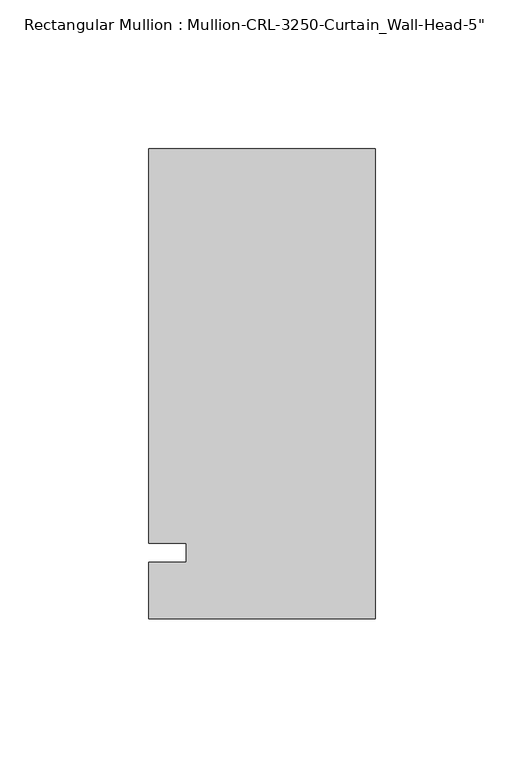
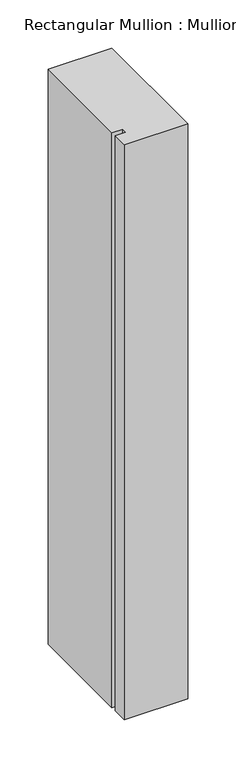
"""IFC4 building model written with IfcOpenShell, lengths in millimetres: member geometry."""

import ifcopenshell
import ifcopenshell.guid

model = None  # the IFC model being written
_history = None  # IfcOwnerHistory: only IFC2X3 demands one
_inside = {}  # id of a spatial element -> (the spatial element, [elements in it])
_under = {}  # id of a project, library or spatial element -> (it, [spatial elements below it])
_declared = {}  # id of a project -> (the project, [libraries it declares])
_typed = {}  # id of a type object -> (the type object, [elements of that type])
_made_of = {}  # id of a material, layer set ... -> (it, [elements and type objects made of it])


def new_model(schema):
    """Start an empty IFC model of exactly this schema.

    Asked for "IFC4X3", IfcOpenShell would pick the latest addendum, in which some entities
    have other attributes; the version numbers below select the first issue.
    IFC2X3 requires an IfcOwnerHistory on every rooted entity: one is made here for all.
    """
    global model, _history
    if schema == "IFC4X3":
        model = ifcopenshell.file(schema_version=(4, 3, 0, 0))
    else:
        model = ifcopenshell.file(schema=schema)
    _inside.clear()
    _under.clear()
    _declared.clear()
    _typed.clear()
    _made_of.clear()
    _history = None
    if model.schema == "IFC2X3":
        org = make("IfcOrganization", Name="unknown")
        user = make(
            "IfcPersonAndOrganization",
            ThePerson=make("IfcPerson", FamilyName="unknown"),
            TheOrganization=org,
        )
        app = make(
            "IfcApplication",
            ApplicationDeveloper=org,
            Version="unknown",
            ApplicationFullName="unknown",
            ApplicationIdentifier="unknown",
        )
        _history = make(
            "IfcOwnerHistory",
            OwningUser=user,
            OwningApplication=app,
            ChangeAction="ADDED",
            CreationDate=0,
        )
    return model


def make(cls, **values):
    """One entity of the class cls with the attributes given. An attribute that is None is left unset."""
    return model.create_entity(
        cls, **{name: value for name, value in values.items() if value is not None}
    )


def rooted(cls, **values):
    """An entity with a GlobalId (a new one), such as an element, a storey or a relation."""
    return make(cls, GlobalId=ifcopenshell.guid.new(), OwnerHistory=_history, **values)


def si_unit(unit_type, name, prefix=None):
    """IfcSIUnit, for example si_unit("LENGTHUNIT", "METRE", prefix="MILLI")."""
    return make("IfcSIUnit", UnitType=unit_type, Prefix=prefix, Name=name)


def assignment(units):
    """IfcUnitAssignment: the units of a project."""
    return None if units is None else make("IfcUnitAssignment", Units=units)


def point(xyz):
    """IfcCartesianPoint."""
    return None if xyz is None else make("IfcCartesianPoint", Coordinates=xyz)


def direction(xyz):
    """IfcDirection."""
    return None if xyz is None else make("IfcDirection", DirectionRatios=xyz)


def frame(location, z_axis=None, x_axis=None):
    """IfcAxis2Placement3D, a coordinate frame: its origin and axes. An axis left out is left unset."""
    return make(
        "IfcAxis2Placement3D",
        Location=point(location),
        Axis=direction(z_axis),
        RefDirection=direction(x_axis),
    )


def origin():
    """The frame at (0, 0, 0) with its axes left unset."""
    return frame((0.0, 0.0, 0.0))


def place(relative_to, where):
    """IfcLocalPlacement: puts the frame where relative to a parent placement (None: the world)."""
    return make(
        "IfcLocalPlacement", PlacementRelTo=relative_to, RelativePlacement=where
    )


def context(
    kind, dimensions, precision=None, world=None, true_north=None, identifier=None
):
    """IfcGeometricRepresentationContext, for example the 3D "Model" context."""
    return make(
        "IfcGeometricRepresentationContext",
        ContextIdentifier=identifier,
        ContextType=kind,
        CoordinateSpaceDimension=dimensions,
        Precision=precision,
        WorldCoordinateSystem=world,
        TrueNorth=true_north,
    )


def project(units=None, contexts=None):
    """IfcProject with its units and contexts."""
    return rooted(
        "IfcProject",
        Name="project",
        RepresentationContexts=contexts,
        UnitsInContext=assignment(units),
    )


def spatial(cls, under=None, at=None, **own):
    """A site, building, storey or space (cls), placed at a placement, below another one or the project."""
    s = rooted(cls, ObjectPlacement=at, **own)
    if under is not None:
        _under.setdefault(under.id(), (under, []))[1].append(s)
    return s


def polyline(points):
    """IfcPolyline through the points."""
    return make("IfcPolyline", Points=[point(p) for p in points])


def outline(outer, holes=None, kind="AREA"):
    """IfcArbitraryClosedProfileDef: a profile drawn as a closed curve; with holes, ...WithVoids."""
    if holes is None:
        return make("IfcArbitraryClosedProfileDef", ProfileType=kind, OuterCurve=outer)
    return make(
        "IfcArbitraryProfileDefWithVoids",
        ProfileType=kind,
        OuterCurve=outer,
        InnerCurves=holes,
    )


def extrude(swept, where, along, depth):
    """IfcExtrudedAreaSolid: the profile swept, set in the frame where, extruded along a direction by depth."""
    return make(
        "IfcExtrudedAreaSolid",
        SweptArea=swept,
        Position=where,
        ExtrudedDirection=direction(along),
        Depth=depth,
    )


def shape(context_of_items, identifier, shape_type, items):
    """IfcShapeRepresentation: the items that make up one representation, for example the "Body"."""
    return make(
        "IfcShapeRepresentation",
        ContextOfItems=context_of_items,
        RepresentationIdentifier=identifier,
        RepresentationType=shape_type,
        Items=items,
    )


def source(mapping_origin, context_of_items, identifier, shape_type, items):
    """IfcRepresentationMap: a shape defined once, which mapped items show again and again."""
    return make(
        "IfcRepresentationMap",
        MappingOrigin=mapping_origin,
        MappedRepresentation=shape(context_of_items, identifier, shape_type, items),
    )


def transform(
    local_origin,
    x_axis=None,
    y_axis=None,
    z_axis=None,
    scale=None,
    scale2=None,
    scale3=None,
    uniform=True,
):
    """IfcCartesianTransformationOperator3D, or its non-uniform kind. x_axis, y_axis, z_axis: its Axis1, 2, 3."""
    if uniform:
        return make(
            "IfcCartesianTransformationOperator3D",
            Axis1=direction(x_axis),
            Axis2=direction(y_axis),
            LocalOrigin=point(local_origin),
            Scale=scale,
            Axis3=direction(z_axis),
        )
    return make(
        "IfcCartesianTransformationOperator3DnonUniform",
        Axis1=direction(x_axis),
        Axis2=direction(y_axis),
        LocalOrigin=point(local_origin),
        Scale=scale,
        Axis3=direction(z_axis),
        Scale2=scale2,
        Scale3=scale3,
    )


def mapped(mapping_source, mapping_target):
    """IfcMappedItem: shows the shape of a source again, moved by a transform."""
    return make(
        "IfcMappedItem", MappingSource=mapping_source, MappingTarget=mapping_target
    )


def made_of(thing, what):
    """Note that an element or type object is made of a material, layer set ...; save() writes the relation."""
    if what is not None:
        _made_of.setdefault(what.id(), (what, []))[1].append(thing)
    return thing


def element(
    cls,
    number,
    at=None,
    inside=None,
    cuts=None,
    type_object=None,
    material=None,
    context=None,
    identifier="Body",
    shape_type=None,
    held_by="IfcProductDefinitionShape",
    body=None,
    shapes=None,
    **own,
):
    """One element of the class cls, such as IfcWall. Its Tag is "e" and its number.

    at: its placement. inside: the storey or other place that contains it. cuts: it is an
    opening in that element (IfcRelVoidsElement). A single representation is given by context,
    identifier, shape_type and body (its items); several are given by shapes. held_by: the class
    of the entity that holds the representations. save() writes the other relations.
    """
    e = rooted(cls, Tag="e%d" % number, ObjectPlacement=at, **own)
    if body is not None:
        shapes = [shape(context, identifier, shape_type, body)]
    if shapes is not None:
        e.Representation = make(held_by, Representations=shapes)
    if inside is not None:
        _inside.setdefault(inside.id(), (inside, []))[1].append(e)
    if cuts is not None:
        rooted(
            "IfcRelVoidsElement", RelatingBuildingElement=cuts, RelatedOpeningElement=e
        )
    if type_object is not None:
        _typed.setdefault(type_object.id(), (type_object, []))[1].append(e)
    return made_of(e, material)


def aggregate(whole, parts):
    """IfcRelAggregates: a whole, such as a stair, and the parts it consists of."""
    return rooted("IfcRelAggregates", RelatingObject=whole, RelatedObjects=parts)


def save(model, path):
    """Write the relations noted so far, then the file.

    IfcRelAggregates (storeys below a building ...), IfcRelContainedInSpatialStructure (elements
    in a storey), IfcRelDefinesByType, IfcRelAssociatesMaterial and IfcRelDeclares: one each for
    every whole, place, type object, material and project.
    """
    for whole, parts in _under.values():
        aggregate(whole, parts)
    for where, things in _inside.values():
        rooted(
            "IfcRelContainedInSpatialStructure",
            RelatedElements=things,
            RelatingStructure=where,
        )
    for kind, things in _typed.values():
        rooted("IfcRelDefinesByType", RelatedObjects=things, RelatingType=kind)
    for what, things in _made_of.values():
        rooted("IfcRelAssociatesMaterial", RelatedObjects=things, RelatingMaterial=what)
    for by, libraries in _declared.values():
        rooted("IfcRelDeclares", RelatingContext=by, RelatedDefinitions=libraries)
    model.write(path)


def member_2e73135a(model_context):
    return source(origin(), model_context, "Body", "SweptSolid", [
        extrude(outline(polyline([(0.0, -22.2254168), (-76.199997, -22.2254168), (-76.199997, -3.175), (-63.499997, -3.175), (-63.499997, 3.175), (-76.199997, 3.175), (-76.199997, 136.0164463), (0.0, 136.0164463), (0.0, -22.2254168)])), frame((0.0, 0.0, -730.0666715), z_axis=(0.0, 0.0, 1.0), x_axis=(1.0, 0.0, 0.0)), (0.0, 0.0, 1.0), 730.0666715),
    ])


if __name__ == "__main__":
    model = new_model("IFC4")
    model_context = context("Model", 3, world=origin())
    ifc_project = project(units=[si_unit("LENGTHUNIT", "METRE", prefix="MILLI")], contexts=[model_context])
    site = spatial("IfcSite", under=ifc_project)
    building = spatial("IfcBuilding", under=site)
    placement = place(None, origin())
    member_shape = member_2e73135a(model_context)
    element("IfcMember", 1, ObjectType="Rectangular Mullion : Mullion-CRL-3250-Curtain_Wall-Head-5\"", at=placement, inside=building, context=model_context, shape_type="MappedRepresentation", body=[
        mapped(member_shape, transform((0.0, 0.0, 0.0), x_axis=(1.0, 0.0, 0.0), y_axis=(0.0, 1.0, 0.0), z_axis=(0.0, 0.0, 1.0))),
    ])
    save(model, "model.ifc")
